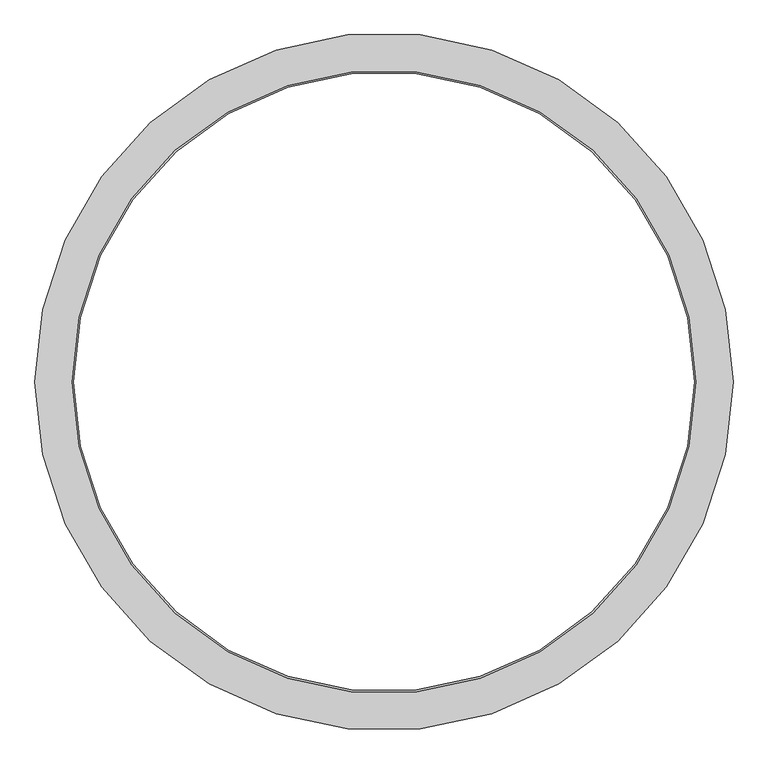
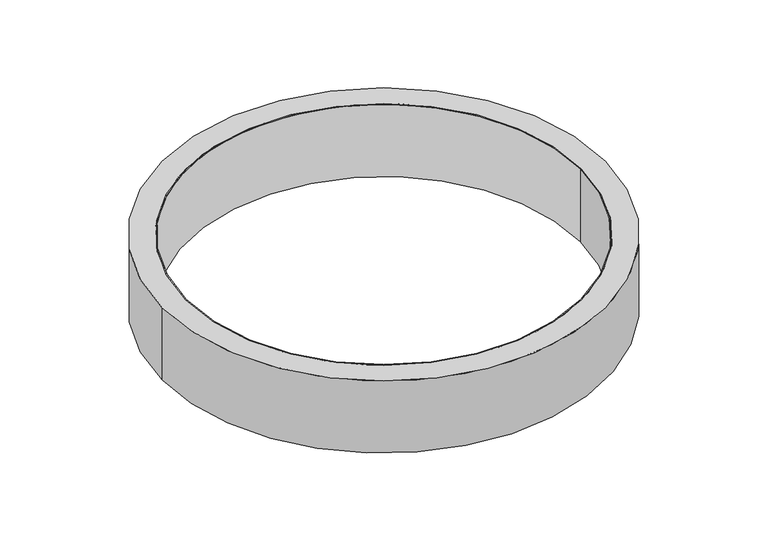
"""IFC4 building model written with IfcOpenShell, lengths in millimetres: proxy geometry."""

from ifc_helpers import new_model, si_unit, point, origin, origin_with_axes, origin_2d, place, context, project, spatial, circle_curve, trimmed, segment, composite_curve, outline, extrude, source, transform, mapped, element, save


def generic_models_8168af0d(model_context):
    return source(origin(), model_context, "Body", "SweptSolid", [
        extrude(outline(composite_curve([segment(trimmed(circle_curve(origin_2d(), 750.0), [point((-750.0, 0.0))], [point((750.0, 0.0))], False, "CARTESIAN"), True, "CONTINUOUS"), segment(trimmed(circle_curve(origin_2d(), 750.0), [point((750.0, 0.0))], [point((-750.0, 0.0))], False, "CARTESIAN"), True, "CONTINUOUS")], self_intersect=False), holes=[composite_curve([segment(trimmed(circle_curve(origin_2d(), 746.0), [point((-746.0, 0.0))], [point((746.0, 0.0))], True, "CARTESIAN"), True, "CONTINUOUS"), segment(trimmed(circle_curve(origin_2d(), 746.0), [point((746.0, 0.0))], [point((-746.0, 0.0))], True, "CARTESIAN"), True, "CONTINUOUS")], self_intersect=False)]), origin_with_axes(), (0.0, 0.0, 1.0), 290.0),
        extrude(outline(composite_curve([segment(trimmed(circle_curve(origin_2d(), 840.0), [point((-840.0, 0.0))], [point((840.0, 0.0))], False, "CARTESIAN"), True, "CONTINUOUS"), segment(trimmed(circle_curve(origin_2d(), 840.0), [point((840.0, 0.0))], [point((-840.0, 0.0))], False, "CARTESIAN"), True, "CONTINUOUS")], self_intersect=False), holes=[composite_curve([segment(trimmed(circle_curve(origin_2d(), 750.0), [point((-750.0, 0.0))], [point((750.0, 0.0))], True, "CARTESIAN"), True, "CONTINUOUS"), segment(trimmed(circle_curve(origin_2d(), 750.0), [point((750.0, 0.0))], [point((-750.0, 0.0))], True, "CARTESIAN"), True, "CONTINUOUS")], self_intersect=False)]), origin_with_axes(), (0.0, 0.0, 1.0), 290.0),
    ])


if __name__ == "__main__":
    model = new_model("IFC4")
    model_context = context("Model", 3, world=origin())
    ifc_project = project(units=[si_unit("LENGTHUNIT", "METRE", prefix="MILLI")], contexts=[model_context])
    site = spatial("IfcSite", under=ifc_project)
    building = spatial("IfcBuilding", under=site)
    placement = place(None, origin())
    generic_models_shape = generic_models_8168af0d(model_context)
    element("IfcBuildingElementProxy", 1, Name="Generic Models", at=placement, inside=building, context=model_context, shape_type="MappedRepresentation", body=[
        mapped(generic_models_shape, transform((0.0, 0.0, 0.0), x_axis=(1.0, 0.0, 0.0), y_axis=(0.0, 1.0, 0.0), z_axis=(0.0, 0.0, 1.0))),
    ])
    save(model, "model.ifc")
